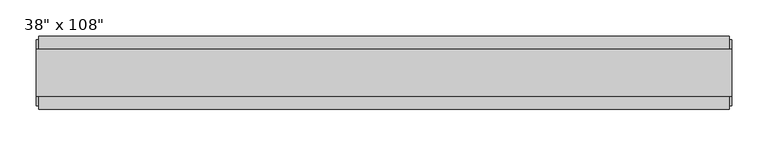
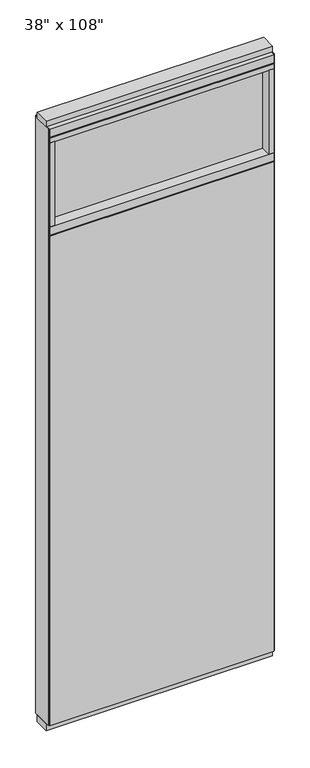
"""IFC4 building model written with IfcOpenShell, lengths in millimetres: furniture geometry."""

from ifc_helpers import new_model, si_unit, frame, origin, origin_with_axes, place, context, project, spatial, polyline, outline, extrude, source, transform, mapped, element, save


def furniture_c730a1bd(model_context):
    return source(origin(), model_context, "Body", "SweptSolid", [
        extrude(outline(polyline([(418.6264771, 46.2822784), (418.6264771, 33.5822784), (-538.6995229, 33.5822784), (-538.6995229, 46.2822784), (418.6264771, 46.2822784)])), frame((0.0, 0.0, 31.75), z_axis=(0.0, 0.0, 1.0), x_axis=(1.0, 0.0, 0.0)), (0.0, 0.0, 1.0), 2203.45),
        extrude(outline(polyline([(418.6264771, -55.3177216), (-538.6995229, -55.3177216), (-538.6995229, -42.6177216), (418.6264771, -42.6177216), (418.6264771, -55.3177216)])), frame((0.0, 0.0, 31.75), z_axis=(0.0, 0.0, 1.0), x_axis=(1.0, 0.0, 0.0)), (0.0, 0.0, 1.0), 2203.45),
        extrude(outline(polyline([(396.4014771, -9.5977216), (-516.4745229, -9.5977216), (-516.4745229, 0.5622784), (396.4014771, 0.5622784), (396.4014771, -9.5977216)])), frame((0.0, 0.0, 2276.475), z_axis=(0.0, 0.0, 1.0), x_axis=(1.0, 0.0, 0.0)), (0.0, 0.0, 1.0), 377.825),
        extrude(outline(polyline([(396.4014771, -55.3177216), (396.4014771, 46.2822784), (418.6264771, 46.2822784), (418.6264771, -55.3177216), (396.4014771, -55.3177216)])), frame((0.0, 0.0, 2276.475), z_axis=(0.0, 0.0, 1.0), x_axis=(1.0, 0.0, 0.0)), (0.0, 0.0, 1.0), 377.825),
        extrude(outline(polyline([(-55.3177216, 2240.153), (-55.3177216, 2276.475), (46.2822784, 2276.475), (46.2822784, 2240.153), (41.3292784, 2240.153), (41.3292784, 2235.2), (-50.3647216, 2235.2), (-50.3647216, 2240.153), (-55.3177216, 2240.153)])), frame((-538.6995229, 0.0, 0.0), z_axis=(1.0, 0.0, 0.0), x_axis=(0.0, 1.0, 0.0)), (0.0, 0.0, 1.0), 957.326),
        extrude(outline(polyline([(-516.4745229, -55.3177216), (-538.6995229, -55.3177216), (-538.6995229, 46.2822784), (-516.4745229, 46.2822784), (-516.4745229, -55.3177216)])), frame((0.0, 0.0, 2276.475), z_axis=(0.0, 0.0, 1.0), x_axis=(1.0, 0.0, 0.0)), (0.0, 0.0, 1.0), 377.825),
        extrude(outline(polyline([(422.5634771, 27.9942784), (422.5634771, -37.0297216), (-542.6365229, -37.0297216), (-542.6365229, 27.9942784), (422.5634771, 27.9942784)])), origin_with_axes(), (0.0, 0.0, 1.0), 31.75),
        extrude(outline(polyline([(-542.6365229, -37.0297216), (-542.6365229, 27.9942784), (422.5634771, 27.9942784), (422.5634771, -37.0297216), (-542.6365229, -37.0297216)])), frame((0.0, 0.0, 2717.8), z_axis=(0.0, 0.0, 1.0), x_axis=(1.0, 0.0, 0.0)), (0.0, 0.0, 1.0), 25.4),
        extrude(outline(polyline([(-55.3177216, 2681.478), (-55.3177216, 2717.8), (46.2822784, 2717.8), (46.2822784, 2681.478), (41.3292784, 2681.478), (41.3292784, 2676.525), (-50.3647216, 2676.525), (-50.3647216, 2681.478), (-55.3177216, 2681.478)])), frame((-538.6995229, 0.0, 0.0), z_axis=(1.0, 0.0, 0.0), x_axis=(0.0, 1.0, 0.0)), (0.0, 0.0, 1.0), 957.326),
        extrude(outline(polyline([(418.6264771, 46.2822784), (418.6264771, -55.3177216), (-538.6995229, -55.3177216), (-538.6995229, 46.2822784), (418.6264771, 46.2822784)])), frame((0.0, 0.0, 2654.3), z_axis=(0.0, 0.0, 1.0), x_axis=(1.0, 0.0, 0.0)), (0.0, 0.0, 1.0), 22.225),
        extrude(outline(polyline([(422.5634771, -50.3647216), (418.6264771, -50.3647216), (418.6264771, 41.3292784), (422.5634771, 41.3292784), (422.5634771, -50.3647216)])), frame((0.0, 0.0, 31.75), z_axis=(0.0, 0.0, 1.0), x_axis=(1.0, 0.0, 0.0)), (0.0, 0.0, 1.0), 2686.05),
        extrude(outline(polyline([(-542.6365229, -50.3647216), (-542.6365229, 41.3292784), (-538.6995229, 41.3292784), (-538.6995229, -50.3647216), (-542.6365229, -50.3647216)])), frame((0.0, 0.0, 31.75), z_axis=(0.0, 0.0, 1.0), x_axis=(1.0, 0.0, 0.0)), (0.0, 0.0, 1.0), 2686.05),
    ])


if __name__ == "__main__":
    model = new_model("IFC4")
    model_context = context("Model", 3, world=origin())
    ifc_project = project(units=[si_unit("LENGTHUNIT", "METRE", prefix="MILLI")], contexts=[model_context])
    site = spatial("IfcSite", under=ifc_project)
    building = spatial("IfcBuilding", under=site)
    placement = place(None, origin())
    furniture_shape = furniture_c730a1bd(model_context)
    element("IfcFurniture", 1, ObjectType="38\" x 108\"", at=placement, inside=building, context=model_context, shape_type="MappedRepresentation", body=[
        mapped(furniture_shape, transform((0.0, 0.0, 0.0), x_axis=(1.0, 0.0, 0.0), y_axis=(0.0, 1.0, 0.0), z_axis=(0.0, 0.0, 1.0))),
    ])
    save(model, "model.ifc")
